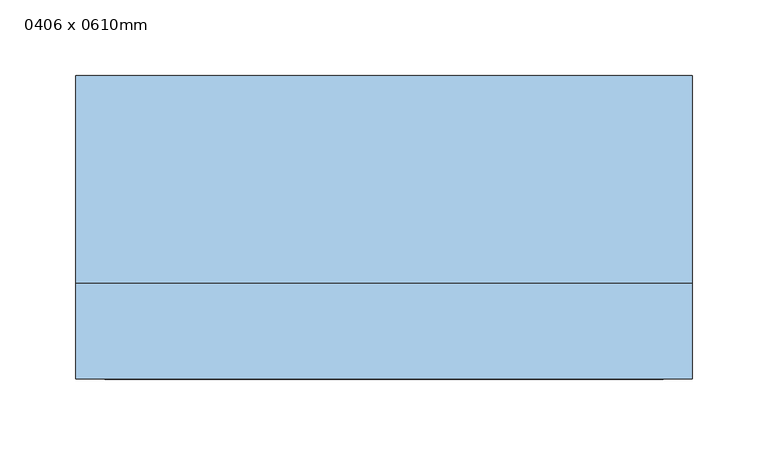
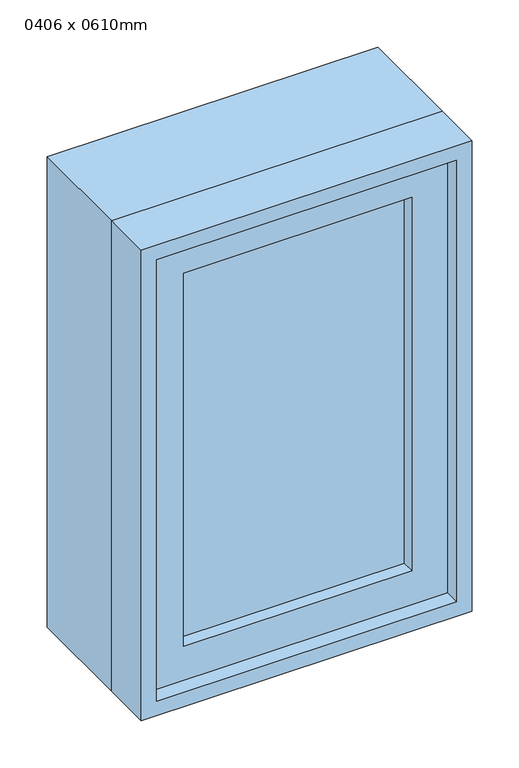
"""IFC4 building model written with IfcOpenShell, lengths in millimetres: window geometry, 0406 x 0610mm."""

from ifc_helpers import new_model, si_unit, frame, origin, place, context, project, spatial, polyline, outline, extrude, source, transform, mapped, element, save


def window_0406_x_0610mm_98f1b7d8(model_context):
    return source(origin(), model_context, "Body", "SweptSolid", [
        extrude(outline(polyline([(-140.0, -78.0), (-140.0, -66.0), (140.0, -66.0), (140.0, -78.0), (-140.0, -78.0)])), frame((0.0, 0.0, 978.0), z_axis=(0.0, 0.0, 1.0), x_axis=(1.0, 0.0, 0.0)), (0.0, 0.0, 1.0), 484.0),
        extrude(outline(polyline([(1506.0, -184.0), (934.0, -184.0), (934.0, 184.0), (1506.0, 184.0), (1506.0, -184.0)]), holes=[polyline([(1462.0, -140.0), (1462.0, 140.0), (978.0, 140.0), (978.0, -140.0), (1462.0, -140.0)])]), frame((0.0, -94.0, 0.0), z_axis=(0.0, 1.0, 0.0), x_axis=(0.0, 0.0, 1.0)), (0.0, 0.0, 1.0), 44.0),
        extrude(outline(polyline([(1525.0, -203.0), (915.0, -203.0), (915.0, 203.0), (1525.0, 203.0), (1525.0, -203.0)]), holes=[polyline([(1506.0, -184.0), (1506.0, 184.0), (934.0, 184.0), (934.0, -184.0), (1506.0, -184.0)])]), frame((0.0, -113.0, 0.0), z_axis=(0.0, 1.0, 0.0), x_axis=(0.0, 0.0, 1.0)), (0.0, 0.0, 1.0), 63.0),
        extrude(outline(polyline([(1525.0, -203.0), (915.0, -203.0), (915.0, 203.0), (1525.0, 203.0), (1525.0, -203.0)]), holes=[polyline([(1493.0, -171.0), (1493.0, 171.0), (947.0, 171.0), (947.0, -171.0), (1493.0, -171.0)])]), frame((0.0, -50.0, 0.0), z_axis=(0.0, 1.0, 0.0), x_axis=(0.0, 0.0, 1.0)), (0.0, 0.0, 1.0), 137.0),
    ])


if __name__ == "__main__":
    model = new_model("IFC4")
    model_context = context("Model", 3, world=origin())
    ifc_project = project(units=[si_unit("LENGTHUNIT", "METRE", prefix="MILLI")], contexts=[model_context])
    site = spatial("IfcSite", under=ifc_project)
    building = spatial("IfcBuilding", under=site)
    placement = place(None, origin())
    window_0406_x_0610mm_shape = window_0406_x_0610mm_98f1b7d8(model_context)
    element("IfcWindow", 1, ObjectType="0406 x 0610mm", at=placement, inside=building, context=model_context, shape_type="MappedRepresentation", body=[
        mapped(window_0406_x_0610mm_shape, transform((0.0, 0.0, 0.0), x_axis=(1.0, 0.0, 0.0), y_axis=(0.0, 1.0, 0.0), z_axis=(0.0, 0.0, 1.0))),
    ])
    save(model, "model.ifc")
